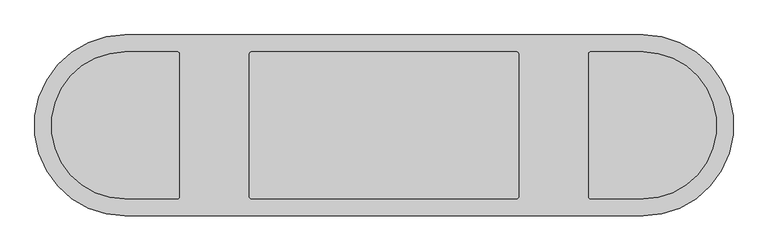
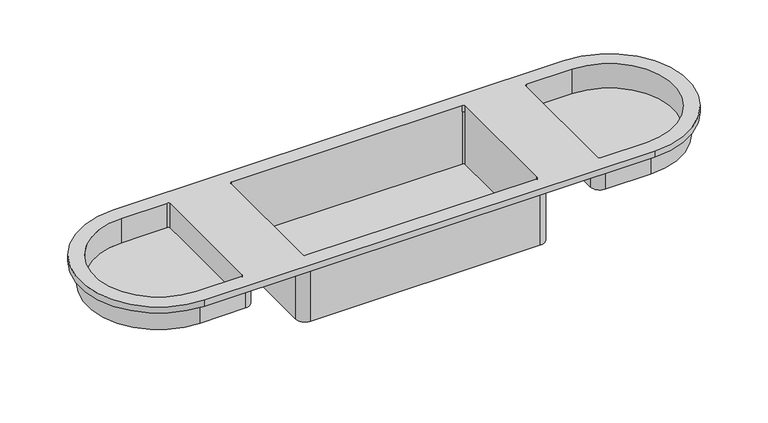
"""IFC4 building model written with IfcOpenShell, lengths in millimetres: furniture geometry."""

from ifc_helpers import new_model, si_unit, frame, origin, place, context, project, spatial, polyline, circle_curve, source, transform, mapped, element, save
from ifc_brep_helpers import plane_surface, cylinder_surface, revolved_surface, advanced_brep


def furniture_aa164cce(model_context):
    return source(origin(), model_context, "Body", "AdvancedBrep", [
        advanced_brep(
        [(-1411.9986969, -149.5623216, 760.3600565), (-1411.9986969, -417.29756, 760.3600565), (-645.4013031, -417.29756, 760.3600565), (-645.4013031, -149.5623216, 760.3600565), (-1331.3526868, -177.9300183, 760.3600565), (-1331.3526868, -388.9298632, 760.3600565), (-1334.5276868, -392.1048632, 760.3600565), (-1411.986016, -392.1048632, 760.3600565), (-1411.986016, -174.7550183, 760.3600565), (-1334.5276868, -174.7550183, 760.3600565), (-722.8723132, -392.1048632, 760.3600565), (-726.0473132, -388.9298632, 760.3600565), (-726.0473132, -177.9300183, 760.3600565), (-722.8723132, -174.7550183, 760.3600565), (-645.413984, -174.7550183, 760.3600565), (-645.413984, -392.1048632, 760.3600565), (-832.8268784, -392.1048632, 760.3600565), (-1224.5731216, -392.1048632, 760.3600565), (-1227.7481216, -388.9298632, 760.3600565), (-1227.7481216, -177.9300183, 760.3600565), (-1224.5731216, -174.7550183, 760.3600565), (-832.8268784, -174.7550183, 760.3600565), (-829.6518784, -177.9300183, 760.3600565), (-829.6518784, -388.9298632, 760.3600565), (-1411.9986969, -149.5623216, 749.2996124), (-645.4013031, -149.5623216, 749.2996124), (-645.4013031, -417.29756, 749.2996124), (-1411.9986969, -417.29756, 749.2996124), (-738.7473132, -177.9300183, 749.2996124), (-738.7473132, -388.9298632, 749.2996124), (-722.8723132, -404.8048632, 749.2996124), (-645.413984, -404.8048632, 749.2996124), (-645.413984, -162.0550183, 749.2996124), (-722.8723132, -162.0550183, 749.2996124), (-1318.6526868, -177.9300183, 749.2996124), (-1334.5276868, -162.0550183, 749.2996124), (-1411.986016, -162.0550183, 749.2996124), (-1411.986016, -404.8048632, 749.2996124), (-1334.5276868, -404.8048632, 749.2996124), (-1318.6526868, -388.9298632, 749.2996124), (-832.8268784, -404.8048632, 749.2996124), (-816.9518784, -388.9298632, 749.2996124), (-816.9518784, -177.9300183, 749.2996124), (-832.8268784, -162.0550183, 749.2996124), (-1224.5731216, -162.0550183, 749.2996124), (-1240.4481216, -177.9300183, 749.2996124), (-1240.4481216, -388.9298632, 749.2996124), (-1224.5731216, -404.8048632, 749.2996124), (-1331.3526868, -388.9298632, 716.3621125), (-1331.3526868, -177.9300183, 716.3621125), (-1334.5276868, -174.7550183, 716.3621125), (-1411.986016, -174.7550183, 716.3621125), (-1411.986016, -392.1048632, 716.3621125), (-1334.5276868, -392.1048632, 716.3621125), (-726.0473132, -388.9298632, 716.3621125), (-722.8723132, -392.1048632, 716.3621125), (-645.413984, -392.1048632, 716.3621125), (-645.413984, -174.7550183, 716.3621125), (-722.8723132, -174.7550183, 716.3621125), (-726.0473132, -177.9300183, 716.3621125), (-1224.5731216, -392.1048632, 749.2996124), (-832.8268784, -392.1048632, 749.2996124), (-832.8268784, -392.1048632, 655.4282214), (-1224.5731216, -392.1048632, 655.4282214), (-829.6518784, -388.9298632, 749.2996124), (-829.6518784, -177.9300183, 749.2996124), (-829.6518784, -177.9300183, 655.4282214), (-829.6518784, -388.9298632, 655.4282214), (-832.8268784, -174.7550183, 749.2996124), (-1224.5731216, -174.7550183, 749.2996124), (-1224.5731216, -174.7550183, 655.4282214), (-832.8268784, -174.7550183, 655.4282214), (-1227.7481216, -177.9300183, 749.2996124), (-1227.7481216, -388.9298632, 749.2996124), (-1227.7481216, -388.9298632, 655.4282214), (-1227.7481216, -177.9300183, 655.4282214), (-738.7473132, -177.9300183, 711.1996124), (-722.8723132, -162.0550183, 711.1996124), (-645.413984, -162.0550183, 711.1996124), (-645.413984, -404.8048632, 711.1996124), (-722.8723132, -404.8048632, 711.1996124), (-738.7473132, -388.9298632, 711.1996124), (-1318.6526868, -177.9300183, 711.1996124), (-1318.6526868, -388.9298632, 711.1996124), (-1334.5276868, -404.8048632, 711.1996124), (-1411.986016, -404.8048632, 711.1996124), (-1411.986016, -162.0550183, 711.1996124), (-1334.5276868, -162.0550183, 711.1996124), (-832.8268784, -404.8048632, 648.9191843), (-1224.5731216, -404.8048632, 648.9191843), (-1240.4481216, -388.9298632, 648.9191843), (-1240.4481216, -177.9300183, 648.9191843), (-1224.5731216, -162.0550183, 648.9191843), (-832.8268784, -162.0550183, 648.9191843), (-816.9518784, -177.9300183, 648.9191843), (-816.9518784, -388.9298632, 648.9191843)],
        [
            (0, 1, circle_curve(frame((-1411.9986969, -283.4299408, 760.3600565), z_axis=(0.0, 0.0, 1.0), x_axis=(1.0, 0.0, 0.0)), 133.8676192)),
            (1, 2),
            (2, 3, circle_curve(frame((-645.4013031, -283.4299408, 760.3600565), z_axis=(0.0, 0.0, 1.0), x_axis=(1.0, 0.0, 0.0)), 133.8676192)),
            (3, 0),
            (4, 5),
            (5, 6, circle_curve(frame((-1334.5276868, -388.9298632, 760.3600565), z_axis=(0.0, 0.0, -1.0), x_axis=(1.0, 0.0, 0.0)), 3.175)),
            (6, 7),
            (7, 8, circle_curve(frame((-1411.986016, -283.4299408, 760.3600565), z_axis=(0.0, 0.0, -1.0), x_axis=(-1.0, 0.0, 0.0)), 108.6749224)),
            (8, 9),
            (9, 4, circle_curve(frame((-1334.5276868, -177.9300183, 760.3600565), z_axis=(0.0, 0.0, -1.0), x_axis=(1.0, 0.0, 0.0)), 3.175)),
            (10, 11, circle_curve(frame((-722.8723132, -388.9298632, 760.3600565), z_axis=(0.0, 0.0, -1.0), x_axis=(-1.0, 0.0, 0.0)), 3.175)),
            (11, 12),
            (12, 13, circle_curve(frame((-722.8723132, -177.9300183, 760.3600565), z_axis=(0.0, 0.0, -1.0), x_axis=(-1.0, 0.0, 0.0)), 3.175)),
            (13, 14),
            (14, 15, circle_curve(frame((-645.413984, -283.4299408, 760.3600565), z_axis=(0.0, 0.0, -1.0), x_axis=(1.0, 0.0, 0.0)), 108.6749224)),
            (15, 10),
            (16, 17),
            (17, 18, circle_curve(frame((-1224.5731216, -388.9298632, 760.3600565), z_axis=(0.0, 0.0, -1.0), x_axis=(1.0, 0.0, 0.0)), 3.175)),
            (18, 19),
            (19, 20, circle_curve(frame((-1224.5731216, -177.9300183, 760.3600565), z_axis=(0.0, 0.0, -1.0), x_axis=(1.0, 0.0, 0.0)), 3.175)),
            (20, 21),
            (21, 22, circle_curve(frame((-832.8268784, -177.9300183, 760.3600565), z_axis=(0.0, 0.0, -1.0), x_axis=(1.0, 0.0, 0.0)), 3.175)),
            (22, 23),
            (23, 16, circle_curve(frame((-832.8268784, -388.9298632, 760.3600565), z_axis=(0.0, 0.0, -1.0), x_axis=(1.0, 0.0, 0.0)), 3.175)),
            (24, 25),
            (25, 26, circle_curve(frame((-645.4013031, -283.4299408, 749.2996124), z_axis=(0.0, 0.0, -1.0), x_axis=(1.0, 0.0, 0.0)), 133.8676192)),
            (26, 27),
            (27, 24, circle_curve(frame((-1411.9986969, -283.4299408, 749.2996124), z_axis=(0.0, 0.0, -1.0), x_axis=(1.0, 0.0, 0.0)), 133.8676192)),
            (28, 29),
            (29, 30, circle_curve(frame((-722.8723132, -388.9298632, 749.2996124), z_axis=(0.0, 0.0, 1.0), x_axis=(1.0, 0.0, 0.0)), 15.875)),
            (30, 31),
            (31, 32, circle_curve(frame((-645.413984, -283.4299408, 749.2996124), z_axis=(0.0, 0.0, 1.0), x_axis=(1.0, 0.0, 0.0)), 121.3749224)),
            (32, 33),
            (33, 28, circle_curve(frame((-722.8723132, -177.9300183, 749.2996124), z_axis=(0.0, 0.0, 1.0), x_axis=(1.0, 0.0, 0.0)), 15.875)),
            (34, 35, circle_curve(frame((-1334.5276868, -177.9300183, 749.2996124), z_axis=(0.0, 0.0, 1.0), x_axis=(-1.0, 0.0, 0.0)), 15.875)),
            (35, 36),
            (36, 37, circle_curve(frame((-1411.986016, -283.4299408, 749.2996124), z_axis=(0.0, 0.0, 1.0), x_axis=(-1.0, 0.0, 0.0)), 121.3749224)),
            (37, 38),
            (38, 39, circle_curve(frame((-1334.5276868, -388.9298632, 749.2996124), z_axis=(0.0, 0.0, 1.0), x_axis=(-1.0, 0.0, 0.0)), 15.875)),
            (39, 34),
            (40, 41, circle_curve(frame((-832.8268784, -388.9298632, 749.2996124), z_axis=(0.0, 0.0, 1.0), x_axis=(1.0, 0.0, 0.0)), 15.875)),
            (41, 42),
            (42, 43, circle_curve(frame((-832.8268784, -177.9300183, 749.2996124), z_axis=(0.0, 0.0, 1.0), x_axis=(1.0, 0.0, 0.0)), 15.875)),
            (43, 44),
            (44, 45, circle_curve(frame((-1224.5731216, -177.9300183, 749.2996124), z_axis=(0.0, 0.0, 1.0), x_axis=(1.0, 0.0, 0.0)), 15.875)),
            (45, 46),
            (46, 47, circle_curve(frame((-1224.5731216, -388.9298632, 749.2996124), z_axis=(0.0, 0.0, 1.0), x_axis=(1.0, 0.0, 0.0)), 15.875)),
            (47, 40),
            (0, 24),
            (27, 1),
            (26, 2),
            (25, 3),
            (48, 49),
            (49, 50, circle_curve(frame((-1334.5276868, -177.9300183, 716.3621125), z_axis=(0.0, 0.0, 1.0), x_axis=(1.0, 0.0, 0.0)), 3.175)),
            (50, 51),
            (51, 52, circle_curve(frame((-1411.986016, -283.4299408, 716.3621125), z_axis=(0.0, 0.0, 1.0), x_axis=(-1.0, 0.0, 0.0)), 108.6749224)),
            (52, 53),
            (53, 48, circle_curve(frame((-1334.5276868, -388.9298632, 716.3621125), z_axis=(0.0, 0.0, 1.0), x_axis=(1.0, 0.0, 0.0)), 3.175)),
            (54, 55, circle_curve(frame((-722.8723132, -388.9298632, 716.3621125), z_axis=(0.0, 0.0, 1.0), x_axis=(-1.0, 0.0, 0.0)), 3.175)),
            (55, 56),
            (56, 57, circle_curve(frame((-645.413984, -283.4299408, 716.3621125), z_axis=(0.0, 0.0, 1.0), x_axis=(1.0, 0.0, 0.0)), 108.6749224)),
            (57, 58),
            (58, 59, circle_curve(frame((-722.8723132, -177.9300183, 716.3621125), z_axis=(0.0, 0.0, 1.0), x_axis=(-1.0, 0.0, 0.0)), 3.175)),
            (59, 54),
            (48, 5),
            (4, 49),
            (9, 50),
            (8, 51),
            (7, 52),
            (6, 53),
            (54, 11),
            (10, 55),
            (15, 56),
            (14, 57),
            (13, 58),
            (12, 59),
            (60, 17),
            (16, 61),
            (61, 62),
            (62, 63),
            (63, 60),
            (23, 64),
            (64, 61, circle_curve(frame((-832.8268784, -388.9298632, 749.2996124), z_axis=(0.0, 0.0, -1.0), x_axis=(1.0, 0.0, 0.0)), 3.175)),
            (22, 65),
            (65, 66),
            (66, 67),
            (67, 64),
            (21, 68),
            (68, 65, circle_curve(frame((-832.8268784, -177.9300183, 749.2996124), z_axis=(0.0, 0.0, -1.0), x_axis=(1.0, 0.0, 0.0)), 3.175)),
            (20, 69),
            (69, 70),
            (70, 71),
            (71, 68),
            (19, 72),
            (72, 69, circle_curve(frame((-1224.5731216, -177.9300183, 749.2996124), z_axis=(0.0, 0.0, -1.0), x_axis=(1.0, 0.0, 0.0)), 3.175)),
            (18, 73),
            (73, 74),
            (74, 75),
            (75, 72),
            (60, 73, circle_curve(frame((-1224.5731216, -388.9298632, 749.2996124), z_axis=(0.0, 0.0, -1.0), x_axis=(1.0, 0.0, 0.0)), 3.175)),
            (76, 77, circle_curve(frame((-722.8723132, -177.9300183, 711.1996124), z_axis=(0.0, 0.0, -1.0), x_axis=(1.0, 0.0, 0.0)), 15.875)),
            (77, 78),
            (78, 79, circle_curve(frame((-645.413984, -283.4299408, 711.1996124), z_axis=(0.0, 0.0, -1.0), x_axis=(1.0, 0.0, 0.0)), 121.3749224)),
            (79, 80),
            (80, 81, circle_curve(frame((-722.8723132, -388.9298632, 711.1996124), z_axis=(0.0, 0.0, -1.0), x_axis=(1.0, 0.0, 0.0)), 15.875)),
            (81, 76),
            (82, 83),
            (83, 84, circle_curve(frame((-1334.5276868, -388.9298632, 711.1996124), z_axis=(0.0, 0.0, -1.0), x_axis=(-1.0, 0.0, 0.0)), 15.875)),
            (84, 85),
            (85, 86, circle_curve(frame((-1411.986016, -283.4299408, 711.1996124), z_axis=(0.0, 0.0, -1.0), x_axis=(-1.0, 0.0, 0.0)), 121.3749224)),
            (86, 87),
            (87, 82, circle_curve(frame((-1334.5276868, -177.9300183, 711.1996124), z_axis=(0.0, 0.0, -1.0), x_axis=(-1.0, 0.0, 0.0)), 15.875)),
            (81, 29),
            (28, 76),
            (80, 30),
            (79, 31),
            (78, 32),
            (77, 33),
            (87, 35),
            (34, 82),
            (86, 36),
            (85, 37),
            (84, 38),
            (83, 39),
            (88, 89),
            (89, 90, circle_curve(frame((-1224.5731216, -388.9298632, 648.9191843), z_axis=(0.0, 0.0, -1.0), x_axis=(1.0, 0.0, 0.0)), 15.875)),
            (90, 91),
            (91, 92, circle_curve(frame((-1224.5731216, -177.9300183, 648.9191843), z_axis=(0.0, 0.0, -1.0), x_axis=(1.0, 0.0, 0.0)), 15.875)),
            (92, 93),
            (93, 94, circle_curve(frame((-832.8268784, -177.9300183, 648.9191843), z_axis=(0.0, 0.0, -1.0), x_axis=(1.0, 0.0, 0.0)), 15.875)),
            (94, 95),
            (95, 88, circle_curve(frame((-832.8268784, -388.9298632, 648.9191843), z_axis=(0.0, 0.0, -1.0), x_axis=(1.0, 0.0, 0.0)), 15.875)),
            (95, 41),
            (40, 88),
            (94, 42),
            (93, 43),
            (92, 44),
            (91, 45),
            (90, 46),
            (89, 47),
            (62, 67, circle_curve(frame((-832.8268784, -388.9298632, 655.4282214), z_axis=(0.0, 0.0, 1.0), x_axis=(1.0, 0.0, 0.0)), 3.175)),
            (66, 71, circle_curve(frame((-832.8268784, -177.9300183, 655.4282214), z_axis=(0.0, 0.0, 1.0), x_axis=(1.0, 0.0, 0.0)), 3.175)),
            (70, 75, circle_curve(frame((-1224.5731216, -177.9300183, 655.4282214), z_axis=(0.0, 0.0, 1.0), x_axis=(1.0, 0.0, 0.0)), 3.175)),
            (74, 63, circle_curve(frame((-1224.5731216, -388.9298632, 655.4282214), z_axis=(0.0, 0.0, 1.0), x_axis=(1.0, 0.0, 0.0)), 3.175)),
        ],
        [
            plane_surface(frame((-1278.1310777, -283.4299408, 760.3600565), z_axis=(0.0, 0.0, 1.0), x_axis=(0.0, 1.0, 0.0))),
            plane_surface(frame((-1278.1310777, -283.4299408, 749.2996124), z_axis=(0.0, 0.0, -1.0), x_axis=(0.0, -1.0, 0.0))),
            cylinder_surface(frame((-1411.9986969, -283.4299408, 749.2996124), z_axis=(0.0, 0.0, 1.0), x_axis=(1.0, 0.0, 0.0)), 133.8676192),
            plane_surface(frame((-1411.9986969, -417.29756, 760.3600565), z_axis=(0.0, -1.0, 0.0), x_axis=(0.0, 0.0, -1.0))),
            cylinder_surface(frame((-645.4013031, -283.4299408, 749.2996124), z_axis=(0.0, 0.0, 1.0), x_axis=(1.0, 0.0, 0.0)), 133.8676192),
            plane_surface(frame((-645.4013031, -149.5623216, 760.3600565), z_axis=(0.0, 1.0, 0.0), x_axis=(0.0, 0.0, -1.0))),
            plane_surface(frame((-1331.3526868, -177.9300183, 716.3621125), z_axis=(0.0, 0.0, 1.0), x_axis=(0.0, -1.0, 0.0))),
            plane_surface(frame((-1331.3526868, -388.9298632, 768.3496124), z_axis=(-1.0, 0.0, 0.0), x_axis=(0.0, 0.0, -1.0))),
            revolved_surface(polyline([(-1331.3526868000001, -177.9300183, 760.3600565), (-1331.3526868000001, -177.9300183, 716.3621125)]), (-1334.5276868, -177.9300183, 716.3621125), (0.0, 0.0, 1.0)),
            plane_surface(frame((-1334.5276868, -174.7550183, 768.3496124), z_axis=(0.0, -1.0, 0.0), x_axis=(0.0, 0.0, -1.0))),
            revolved_surface(polyline([(-1520.6609384, -283.4299408, 760.3600565), (-1520.6609384, -283.4299408, 716.3621125)]), (-1411.986016, -283.4299408, 716.3621125), (0.0, 0.0, 1.0)),
            plane_surface(frame((-1411.986016, -392.1048632, 768.3496124), z_axis=(0.0, 1.0, 0.0), x_axis=(0.0, 0.0, -1.0))),
            revolved_surface(polyline([(-1331.3526868000001, -388.9298632, 760.3600565), (-1331.3526868000001, -388.9298632, 716.3621125)]), (-1334.5276868, -388.9298632, 716.3621125), (0.0, 0.0, 1.0)),
            revolved_surface(polyline([(-726.0473132, -388.9298632, 760.3600565), (-726.0473132, -388.9298632, 716.3621125)]), (-722.8723132, -388.9298632, 911.2109871), (0.0, 0.0, 1.0)),
            plane_surface(frame((-722.8723132, -392.1048632, 768.3496124), z_axis=(0.0, 1.0, 0.0), x_axis=(0.0, 0.0, -1.0))),
            revolved_surface(polyline([(-536.7390616, -283.4299408, 760.3600565), (-536.7390616, -283.4299408, 716.3621125)]), (-645.413984, -283.4299408, 911.2109871), (0.0, 0.0, 1.0)),
            plane_surface(frame((-645.413984, -174.7550183, 768.3496124), z_axis=(0.0, -1.0, 0.0), x_axis=(0.0, 0.0, -1.0))),
            revolved_surface(polyline([(-726.0473132, -177.9300183, 760.3600565), (-726.0473132, -177.9300183, 716.3621125)]), (-722.8723132, -177.9300183, 911.2109871), (0.0, 0.0, 1.0)),
            plane_surface(frame((-726.0473132, -177.9300183, 768.3496124), z_axis=(1.0, 0.0, 0.0), x_axis=(0.0, 0.0, -1.0))),
            plane_surface(frame((-1224.5731216, -392.1048632, 768.3496124), z_axis=(0.0, 1.0, 0.0), x_axis=(0.0, 0.0, -1.0))),
            revolved_surface(polyline([(-829.6518784000001, -388.9298632, 760.3600565), (-829.6518784000001, -388.9298632, 749.2996124)]), (-832.8268784, -388.9298632, 655.4282214), (0.0, 0.0, 1.0)),
            plane_surface(frame((-829.6518784, -388.9298632, 768.3496124), z_axis=(-1.0, 0.0, 0.0), x_axis=(0.0, 0.0, -1.0))),
            revolved_surface(polyline([(-829.6518784000001, -177.9300183, 760.3600565), (-829.6518784000001, -177.9300183, 749.2996124)]), (-832.8268784, -177.9300183, 655.4282214), (0.0, 0.0, 1.0)),
            plane_surface(frame((-832.8268784, -174.7550183, 768.3496124), z_axis=(0.0, -1.0, 0.0), x_axis=(0.0, 0.0, -1.0))),
            revolved_surface(polyline([(-1221.3981216, -177.9300183, 760.3600565), (-1221.3981216, -177.9300183, 749.2996124)]), (-1224.5731216, -177.9300183, 655.4282214), (0.0, 0.0, 1.0)),
            plane_surface(frame((-1227.7481216, -177.9300183, 768.3496124), z_axis=(1.0, 0.0, 0.0), x_axis=(0.0, 0.0, -1.0))),
            revolved_surface(polyline([(-1221.3981216, -388.9298632, 760.3600565), (-1221.3981216, -388.9298632, 749.2996124)]), (-1224.5731216, -388.9298632, 655.4282214), (0.0, 0.0, 1.0)),
            plane_surface(frame((-738.7473132, -388.9395344, 711.1996124), z_axis=(0.0, 0.0, -1.0), x_axis=(0.0, 1.0, 0.0))),
            plane_surface(frame((-738.7473132, -177.9300183, 749.2996124), z_axis=(-1.0, 0.0, 0.0), x_axis=(0.0, 0.0, -1.0))),
            cylinder_surface(frame((-722.8723132, -388.9298632, 711.1996124), z_axis=(0.0, 0.0, 1.0), x_axis=(1.0, 0.0, 0.0)), 15.875),
            plane_surface(frame((-722.8723132, -404.8048632, 749.2996124), z_axis=(0.0, -1.0, 0.0), x_axis=(0.0, 0.0, -1.0))),
            cylinder_surface(frame((-645.413984, -283.4299408, 711.1996124), z_axis=(0.0, 0.0, 1.0), x_axis=(1.0, 0.0, 0.0)), 121.3749224),
            plane_surface(frame((-645.413984, -162.0550183, 749.2996124), z_axis=(0.0, 1.0, 0.0), x_axis=(0.0, 0.0, -1.0))),
            cylinder_surface(frame((-722.8723132, -177.9300183, 711.1996124), z_axis=(0.0, 0.0, 1.0), x_axis=(1.0, 0.0, 0.0)), 15.875),
            cylinder_surface(frame((-1334.5276868, -177.9300183, 911.2109871), z_axis=(0.0, 0.0, 1.0), x_axis=(-1.0, 0.0, 0.0)), 15.875),
            plane_surface(frame((-1334.5276868, -162.0550183, 749.2996124), z_axis=(0.0, 1.0, 0.0), x_axis=(0.0, 0.0, -1.0))),
            cylinder_surface(frame((-1411.986016, -283.4299408, 911.2109871), z_axis=(0.0, 0.0, 1.0), x_axis=(-1.0, 0.0, 0.0)), 121.3749224),
            plane_surface(frame((-1411.986016, -404.8048632, 749.2996124), z_axis=(0.0, -1.0, 0.0), x_axis=(0.0, 0.0, -1.0))),
            cylinder_surface(frame((-1334.5276868, -388.9298632, 911.2109871), z_axis=(0.0, 0.0, 1.0), x_axis=(-1.0, 0.0, 0.0)), 15.875),
            plane_surface(frame((-1318.6526868, -388.9298632, 749.2996124), z_axis=(1.0, 0.0, 0.0), x_axis=(0.0, 0.0, -1.0))),
            plane_surface(frame((-816.9518784, -388.9298632, 648.9191843), z_axis=(0.0, 0.0, -1.0), x_axis=(0.0, -1.0, 0.0))),
            cylinder_surface(frame((-832.8268784, -388.9298632, 648.9191843), z_axis=(0.0, 0.0, 1.0), x_axis=(1.0, 0.0, 0.0)), 15.875),
            plane_surface(frame((-816.9518784, -388.9298632, 749.2996124), z_axis=(1.0, 0.0, 0.0), x_axis=(0.0, 0.0, -1.0))),
            cylinder_surface(frame((-832.8268784, -177.9300183, 648.9191843), z_axis=(0.0, 0.0, 1.0), x_axis=(1.0, 0.0, 0.0)), 15.875),
            plane_surface(frame((-832.8268784, -162.0550183, 749.2996124), z_axis=(0.0, 1.0, 0.0), x_axis=(0.0, 0.0, -1.0))),
            cylinder_surface(frame((-1224.5731216, -177.9300183, 648.9191843), z_axis=(0.0, 0.0, 1.0), x_axis=(1.0, 0.0, 0.0)), 15.875),
            plane_surface(frame((-1240.4481216, -177.9300183, 749.2996124), z_axis=(-1.0, 0.0, 0.0), x_axis=(0.0, 0.0, -1.0))),
            cylinder_surface(frame((-1224.5731216, -388.9298632, 648.9191843), z_axis=(0.0, 0.0, 1.0), x_axis=(1.0, 0.0, 0.0)), 15.875),
            plane_surface(frame((-1224.5731216, -404.8048632, 749.2996124), z_axis=(0.0, -1.0, 0.0), x_axis=(0.0, 0.0, -1.0))),
            plane_surface(frame((-832.8268784, -392.1048632, 655.4282214), z_axis=(0.0, 0.0, 1.0), x_axis=(-1.0, 0.0, 0.0))),
            revolved_surface(polyline([(-829.6518784000001, -388.9298632, 749.2996124), (-829.6518784000001, -388.9298632, 655.4282214)]), (-832.8268784, -388.9298632, 655.4282214), (0.0, 0.0, 1.0)),
            revolved_surface(polyline([(-829.6518784000001, -177.9300183, 749.2996124), (-829.6518784000001, -177.9300183, 655.4282214)]), (-832.8268784, -177.9300183, 655.4282214), (0.0, 0.0, 1.0)),
            revolved_surface(polyline([(-1221.3981216, -177.9300183, 749.2996124), (-1221.3981216, -177.9300183, 655.4282214)]), (-1224.5731216, -177.9300183, 655.4282214), (0.0, 0.0, 1.0)),
            revolved_surface(polyline([(-1221.3981216, -388.9298632, 749.2996124), (-1221.3981216, -388.9298632, 655.4282214)]), (-1224.5731216, -388.9298632, 655.4282214), (0.0, 0.0, 1.0)),
        ],
        [
            (0, [[1, 2, 3, 4], [5, 6, 7, 8, 9, 10], [11, 12, 13, 14, 15, 16], [17, 18, 19, 20, 21, 22, 23, 24]]),
            (1, [[25, 26, 27, 28], [29, 30, 31, 32, 33, 34], [35, 36, 37, 38, 39, 40], [41, 42, 43, 44, 45, 46, 47, 48]]),
            (2, [[-1, 49, -28, 50]]),
            (3, [[-2, -50, -27, 51]]),
            (4, [[-3, -51, -26, 52]]),
            (5, [[-4, -52, -25, -49]]),
            (6, [[53, 54, 55, 56, 57, 58]]),
            (6, [[59, 60, 61, 62, 63, 64]]),
            (7, [[-53, 65, -5, 66]]),
            (8, [[-54, -66, -10, 67]]),
            (9, [[-55, -67, -9, 68]]),
            (10, [[-56, -68, -8, 69]]),
            (11, [[-57, -69, -7, 70]]),
            (12, [[-58, -70, -6, -65]]),
            (13, [[-59, 71, -11, 72]]),
            (14, [[-60, -72, -16, 73]]),
            (15, [[-61, -73, -15, 74]]),
            (16, [[-62, -74, -14, 75]]),
            (17, [[-63, -75, -13, 76]]),
            (18, [[-64, -76, -12, -71]]),
            (19, [[77, -17, 78, 79, 80, 81]]),
            (20, [[-78, -24, 82, 83]]),
            (21, [[-82, -23, 84, 85, 86, 87]]),
            (22, [[-84, -22, 88, 89]]),
            (23, [[-88, -21, 90, 91, 92, 93]]),
            (24, [[-90, -20, 94, 95]]),
            (25, [[-94, -19, 96, 97, 98, 99]]),
            (26, [[-77, 100, -96, -18]]),
            (27, [[101, 102, 103, 104, 105, 106]]),
            (27, [[107, 108, 109, 110, 111, 112]]),
            (28, [[-106, 113, -29, 114]]),
            (29, [[-105, 115, -30, -113]]),
            (30, [[-104, 116, -31, -115]]),
            (31, [[-103, 117, -32, -116]]),
            (32, [[-102, 118, -33, -117]]),
            (33, [[-101, -114, -34, -118]]),
            (34, [[-112, 119, -35, 120]]),
            (35, [[-111, 121, -36, -119]]),
            (36, [[-110, 122, -37, -121]]),
            (37, [[-109, 123, -38, -122]]),
            (38, [[-108, 124, -39, -123]]),
            (39, [[-107, -120, -40, -124]]),
            (40, [[125, 126, 127, 128, 129, 130, 131, 132]]),
            (41, [[-132, 133, -41, 134]]),
            (42, [[-131, 135, -42, -133]]),
            (43, [[-130, 136, -43, -135]]),
            (44, [[-129, 137, -44, -136]]),
            (45, [[-128, 138, -45, -137]]),
            (46, [[-127, 139, -46, -138]]),
            (47, [[-126, 140, -47, -139]]),
            (48, [[-125, -134, -48, -140]]),
            (49, [[-80, 141, -86, 142, -92, 143, -98, 144]]),
            (50, [[-141, -79, -83, -87]]),
            (51, [[-142, -85, -89, -93]]),
            (52, [[-143, -91, -95, -99]]),
            (53, [[-144, -97, -100, -81]]),
        ],
    ),
    ])


if __name__ == "__main__":
    model = new_model("IFC4")
    model_context = context("Model", 3, world=origin())
    ifc_project = project(units=[si_unit("LENGTHUNIT", "METRE", prefix="MILLI")], contexts=[model_context])
    site = spatial("IfcSite", under=ifc_project)
    building = spatial("IfcBuilding", under=site)
    placement = place(None, origin())
    furniture_shape = furniture_aa164cce(model_context)
    element("IfcFurniture", 1, at=placement, inside=building, context=model_context, shape_type="MappedRepresentation", body=[
        mapped(furniture_shape, transform((0.0, 0.0, 0.0), x_axis=(1.0, 0.0, 0.0), y_axis=(0.0, 1.0, 0.0), z_axis=(0.0, 0.0, 1.0))),
    ])
    save(model, "model.ifc")
